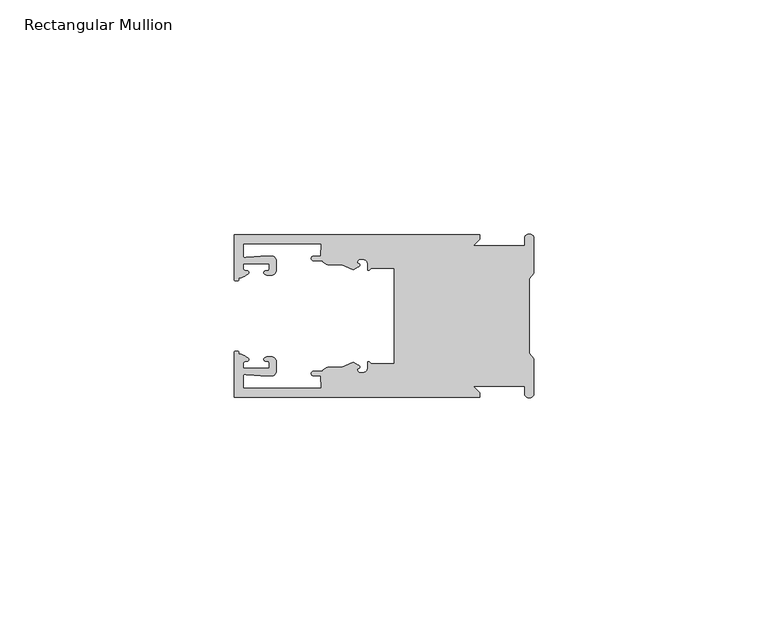
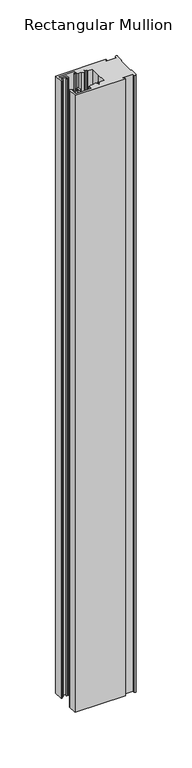
"""IFC4 building model written with IfcOpenShell, lengths in millimetres: member geometry, Rectangular Mullion."""

from ifc_helpers import new_model, si_unit, frame, origin, place, context, project, spatial, polyline, circle_curve, source, transform, mapped, element, save
from ifc_brep_helpers import plane_surface, cylinder_surface, revolved_surface, extruded_surface, spline_curve, advanced_brep


def rectangular_mullion_389f2fa8(model_context):
    return source(origin(), model_context, "Body", "AdvancedBrep", [
        advanced_brep(
        [(-11.5387897, 17.4000478, 0.0), (-64.0387868, 17.4000478, 0.0), (-64.0387868, 7.8350057, 0.0), (-63.2884687, 7.5412947, 0.0), (-62.4614154, 8.1921895, 0.0), (-62.0410649, 9.9426451, 0.0), (-62.0424168, 11.1926444, 0.0), (-56.54242, 11.1985924, 0.0), (-56.5410682, 9.9485931, 0.0), (-57.1085345, 8.7314723, 0.0), (-56.0397166, 8.6991345, 0.0), (-55.0407987, 9.7002154, 0.0), (-55.0430697, 11.8002142, 0.0), (-56.0446364, 12.7991315, 0.0), (-58.3650753, 12.7954945, 0.0), (-61.1340054, 12.5502269, 0.0), (-62.044093, 12.7426435, 0.0), (-62.0469668, 15.4000478, 0.0), (-45.4240312, 15.4000478, 0.0), (-45.5732135, 12.8000478, 0.0), (-47.0387868, 12.8000478, 0.0), (-47.0387868, 11.8000478, 0.0), (-45.2543363, 11.8000478, 0.0), (-43.6387868, 10.9000478, 0.0), (-41.0454034, 10.9000478, 0.0), (-38.5697136, 9.8718293, 0.0), (-37.5387868, 10.4670351, 0.0), (-37.6803436, 11.4201497, 0.0), (-37.0270763, 12.1583697, 0.0), (-36.2010815, 12.0127245, 0.0), (-35.54, 11.2248783, 0.0), (-35.54, 10.0, 0.0), (-34.7705791, 10.25, 0.0), (-29.79, 10.25, 0.0), (-29.79, 0.0, 0.0), (-29.79, -10.25, 0.0), (-34.7705791, -10.25, 0.0), (-35.54, -10.0, 0.0), (-35.54, -11.2248783, 0.0), (-36.2010815, -12.0127245, 0.0), (-37.0270763, -12.1583697, 0.0), (-37.6803436, -11.4201497, 0.0), (-37.5387868, -10.4670351, 0.0), (-38.5697136, -9.8718293, 0.0), (-41.0454034, -10.9000478, 0.0), (-43.6387868, -10.9000478, 0.0), (-45.2543363, -11.8000478, 0.0), (-47.0387868, -11.8000478, 0.0), (-47.0387868, -12.8000478, 0.0), (-45.5732135, -12.8000478, 0.0), (-45.4240312, -15.4000478, 0.0), (-62.0469668, -15.4000478, 0.0), (-62.044093, -12.7426435, 0.0), (-61.1340054, -12.5502269, 0.0), (-58.3650753, -12.7954945, 0.0), (-56.0446364, -12.7991314, 0.0), (-55.0430697, -11.8002142, 0.0), (-55.0407987, -9.7002154, 0.0), (-56.0397166, -8.6991345, 0.0), (-57.1085345, -8.7314723, 0.0), (-56.5410682, -9.9485931, 0.0), (-56.54242, -11.1985924, 0.0), (-62.0424168, -11.1926444, 0.0), (-62.0410649, -9.9426451, 0.0), (-62.4614154, -8.1921895, 0.0), (-63.2884687, -7.5412947, 0.0), (-64.0387868, -7.8350057, 0.0), (-64.0387868, -17.4000478, 0.0), (-11.5387897, -17.4000478, 0.0), (-11.5387897, -16.4000449, 0.0), (-12.9388346, -15.0, 0.0), (-2.0, -15.0, 0.0), (-2.0, -16.5, 0.0), (0.0, -16.5, 0.0), (0.0, -9.1160254, 0.0), (-1.0, -7.9613249, 0.0), (-1.0, 0.0, 0.0), (-1.0, 7.9613249, 0.0), (0.0, 9.1160254, 0.0), (0.0, 16.5, 0.0), (-2.0, 16.5, 0.0), (-2.0, 15.0, 0.0), (-12.9388346, 15.0, 0.0), (-11.5387897, 16.4000449, 0.0), (-11.5387897, 17.4000478, -677.0), (-11.5387897, 16.4000449, -677.0), (-12.9388346, 15.0, -677.0), (-2.0, 15.0, -677.0), (-2.0, 16.5, -677.0), (0.0, 16.5, -677.0), (0.0, 9.1160254, -677.0), (-1.0, 7.9613249, -677.0), (-1.0, 0.0, -677.0), (-1.0, -7.9613249, -677.0), (0.0, -9.1160254, -677.0), (0.0, -16.5, -677.0), (-2.0, -16.5, -677.0), (-2.0, -15.0, -677.0), (-12.9388346, -15.0, -677.0), (-11.5387897, -16.4000449, -677.0), (-11.5387897, -17.4000478, -677.0), (-64.0387868, -17.4000478, -677.0), (-64.0387868, -7.8350057, -677.0), (-63.2884687, -7.5412947, -677.0), (-62.4614154, -8.1921895, -677.0), (-62.0410649, -9.9426451, -677.0), (-62.0424168, -11.1926444, -677.0), (-56.54242, -11.1985924, -677.0), (-56.5410682, -9.9485931, -677.0), (-57.1085345, -8.7314723, -677.0), (-56.0397166, -8.6991345, -677.0), (-55.0407987, -9.7002154, -677.0), (-55.0430697, -11.8002142, -677.0), (-56.0446364, -12.7991315, -677.0), (-58.3650753, -12.7954945, -677.0), (-61.1340054, -12.5502269, -677.0), (-62.044093, -12.7426435, -677.0), (-62.0469668, -15.4000478, -677.0), (-45.4240312, -15.4000478, -677.0), (-45.5732135, -12.8000478, -677.0), (-47.0387868, -12.8000478, -677.0), (-47.0387868, -11.8000478, -677.0), (-45.2543363, -11.8000478, -677.0), (-43.6387868, -10.9000478, -677.0), (-41.0454034, -10.9000478, -677.0), (-38.5697136, -9.8718293, -677.0), (-37.5387868, -10.4670351, -677.0), (-37.6803436, -11.4201497, -677.0), (-37.0270763, -12.1583697, -677.0), (-36.2010815, -12.0127245, -677.0), (-35.54, -11.2248783, -677.0), (-35.54, -10.0, -677.0), (-34.7705791, -10.25, -677.0), (-29.79, -10.25, -677.0), (-29.79, 0.0, -677.0), (-29.79, 10.25, -677.0), (-34.7705791, 10.25, -677.0), (-35.54, 10.0, -677.0), (-35.54, 11.2248783, -677.0), (-36.2010815, 12.0127245, -677.0), (-37.0270763, 12.1583697, -677.0), (-37.6803436, 11.4201497, -677.0), (-37.5387868, 10.4670351, -677.0), (-38.5697136, 9.8718293, -677.0), (-41.0454034, 10.9000478, -677.0), (-43.6387868, 10.9000478, -677.0), (-45.2543363, 11.8000478, -677.0), (-47.0387868, 11.8000478, -677.0), (-47.0387868, 12.8000478, -677.0), (-45.5732135, 12.8000478, -677.0), (-45.4240312, 15.4000478, -677.0), (-62.0469668, 15.4000478, -677.0), (-62.044093, 12.7426435, -677.0), (-61.1340054, 12.5502269, -677.0), (-58.3650753, 12.7954945, -677.0), (-56.0446364, 12.7991314, -677.0), (-55.0430697, 11.8002142, -677.0), (-55.0407987, 9.7002154, -677.0), (-56.0397166, 8.6991345, -677.0), (-57.1085345, 8.7314723, -677.0), (-56.5410682, 9.9485931, -677.0), (-56.54242, 11.1985924, -677.0), (-62.0424168, 11.1926444, -677.0), (-62.0410649, 9.9426451, -677.0), (-62.4614154, 8.1921895, -677.0), (-63.2884687, 7.5412947, -677.0), (-64.0387868, 7.8350057, -677.0), (-64.0387868, 17.4000478, -677.0)],
        [
            (0, 1),
            (1, 2),
            (2, 3, spline_curve(3, [(-64.0387868, 7.8350057, 0.0), (-64.038491377, 7.561831774, 0.0), (-63.788385325, 7.463928087, 0.0), (-63.2884687, 7.5412947, 0.0)], [4, 4], [0.0, 0.0019169337574178654])),
            (3, 4, spline_curve(3, [(-63.2884687, 7.5412947, 0.0), (-63.057760917, 7.582232011, 0.0), (-63.018445067, 7.725390894, 0.0), (-63.019925494, 8.056436881, 0.0), (-63.103444208, 8.236386866, 0.0), (-62.4614154, 8.1921895, 0.0)], [4, 2, 4], [0.0, 0.0010199524164107188, 0.0024874514725970356])),
            (4, 5, spline_curve(3, [(-62.4614154, 8.1921895, 0.0), (-60.988497673, 8.880962536, 0.0), (-60.794045122, 9.192776957, 0.0), (-60.949808078, 9.57023562, 0.0), (-61.145214014, 9.682771697, 0.0), (-61.665835706, 9.714019003, 0.0), (-61.965242574, 9.660891484, 0.0), (-62.0410649, 9.9426451, 0.0)], [4, 2, 2, 4], [0.0, 0.003269869179570428, 0.005490050486237203, 0.0073545767114364426])),
            (5, 6),
            (6, 7),
            (7, 8),
            (8, 9, spline_curve(3, [(-56.5410682, 9.9485931, 0.0), (-56.634838635, 9.597117104, 0.0), (-56.904956774, 9.698238818, 0.0), (-57.324171444, 9.731086209, 0.0), (-57.45969165, 9.646199885, 0.0), (-57.729003352, 9.346016011, 0.0), (-57.859492582, 9.113082158, 0.0), (-57.1085345, 8.7314723, 0.0)], [4, 2, 2, 4], [0.0, 0.001593963049934732, 0.0033360256320283306, 0.005339140673503943])),
            (9, 10),
            (10, 11, circle_curve(frame((-56.0407981, 9.699134, 0.0), z_axis=(0.0, 0.0, 1.0), x_axis=(0.0010814451158627505, -0.9999994152380598, 0.0)), 1.0)),
            (11, 12),
            (12, 13, circle_curve(frame((-56.0430691, 11.7991327, 0.0), z_axis=(0.0, 0.0, 1.0), x_axis=(0.0010814451158627505, -0.9999994152380598, 0.0)), 1.0)),
            (13, 14),
            (14, 15),
            (15, 16, spline_curve(3, [(-61.1340054, 12.5502269, 0.0), (-61.605485428, 12.508463911, 0.0), (-61.992111419, 12.303164326, 0.0), (-62.044093, 12.7426435, 0.0)], [4, 4], [0.0, 0.0014803385355886016])),
            (16, 17),
            (17, 18),
            (18, 19),
            (19, 20),
            (20, 21, circle_curve(frame((-47.0387868, 12.3000478, 0.0), z_axis=(0.0, 0.0, 1.0), x_axis=(0.0, -1.0, 0.0)), 0.5)),
            (21, 22),
            (22, 23, circle_curve(frame((-43.6387868, 12.8000478, 0.0), z_axis=(0.0, 0.0, 1.0), x_axis=(0.0, -1.0, 0.0)), 1.9)),
            (23, 24),
            (24, 25),
            (25, 26),
            (26, 27, spline_curve(3, [(-37.5387868, 10.4670351, 0.0), (-36.973919853, 10.833863985, 0.0), (-37.198159645, 11.135696286, 0.0), (-37.587892011, 11.260246073, 0.0), (-37.754584192, 11.180452419, 0.0), (-37.6803436, 11.4201497, 0.0)], [4, 2, 4], [0.0, 0.0019283703160353726, 0.003394584635652914])),
            (27, 28, circle_curve(frame((-37.0434863, 11.5147359, 0.0), z_axis=(0.0, 0.0, -1.0), x_axis=(0.0, -1.0, 0.0)), 0.643843)),
            (28, 29),
            (29, 30, circle_curve(frame((-36.34, 11.2248783, 0.0), z_axis=(0.0, 0.0, -1.0), x_axis=(0.0, -1.0, 0.0)), 0.8)),
            (30, 31),
            (31, 32, spline_curve(3, [(-35.54, 10.0, 0.0), (-35.440000238, 9.598293201, 0.0), (-35.183526594, 9.681626535, 0.0), (-34.7705791, 10.25, 0.0)], [4, 4], [0.0, 0.0027473296990141553])),
            (32, 33),
            (33, 34),
            (34, 35),
            (35, 36),
            (36, 37, spline_curve(3, [(-34.7705791, -10.25, 0.0), (-35.183526594, -9.681626535, 0.0), (-35.440000238, -9.598293201, 0.0), (-35.54, -10.0, 0.0)], [4, 4], [0.0, 0.0027473296990141553])),
            (37, 38),
            (38, 39, circle_curve(frame((-36.34, -11.2248783, 0.0), z_axis=(0.0, 0.0, -1.0), x_axis=(0.0, 1.0, 0.0)), 0.8)),
            (39, 40),
            (40, 41, circle_curve(frame((-37.0434863, -11.5147359, 0.0), z_axis=(0.0, 0.0, -1.0), x_axis=(0.0, 1.0, 0.0)), 0.643843)),
            (41, 42, spline_curve(3, [(-37.6803436, -11.4201497, 0.0), (-37.754584192, -11.180452419, 0.0), (-37.587892011, -11.260246073, 0.0), (-37.198159645, -11.135696286, 0.0), (-36.973919853, -10.833863985, 0.0), (-37.5387868, -10.4670351, 0.0)], [4, 2, 4], [0.0, 0.0014662143196175414, 0.003394584635652914])),
            (42, 43),
            (43, 44),
            (44, 45),
            (45, 46, circle_curve(frame((-43.6387868, -12.8000478, 0.0), z_axis=(0.0, 0.0, 1.0), x_axis=(0.0, 1.0, 0.0)), 1.9)),
            (46, 47),
            (47, 48, circle_curve(frame((-47.0387868, -12.3000478, 0.0), z_axis=(0.0, 0.0, 1.0), x_axis=(0.0, 1.0, 0.0)), 0.5)),
            (48, 49),
            (49, 50),
            (50, 51),
            (51, 52),
            (52, 53, spline_curve(3, [(-62.044093, -12.7426435, 0.0), (-61.992111419, -12.303164326, 0.0), (-61.605485428, -12.508463911, 0.0), (-61.1340054, -12.5502269, 0.0)], [4, 4], [0.0, 0.0014803385355886016])),
            (53, 54),
            (54, 55),
            (55, 56, circle_curve(frame((-56.0430691, -11.7991327, 0.0), z_axis=(0.0, 0.0, 1.0), x_axis=(0.001081445115855867, 0.9999994152380598, 0.0)), 1.0)),
            (56, 57),
            (57, 58, circle_curve(frame((-56.0407981, -9.699134, 0.0), z_axis=(0.0, 0.0, 1.0), x_axis=(0.001081445115855867, 0.9999994152380598, 0.0)), 1.0)),
            (58, 59),
            (59, 60, spline_curve(3, [(-57.1085345, -8.7314723, 0.0), (-57.859492582, -9.113082158, 0.0), (-57.729003352, -9.346016011, 0.0), (-57.45969165, -9.646199885, 0.0), (-57.324171444, -9.731086209, 0.0), (-56.904956774, -9.698238818, 0.0), (-56.634838635, -9.597117104, 0.0), (-56.5410682, -9.9485931, 0.0)], [4, 2, 2, 4], [0.0, 0.002003115041475612, 0.0037451776235692107, 0.005339140673503943])),
            (60, 61),
            (61, 62),
            (62, 63),
            (63, 64, spline_curve(3, [(-62.0410649, -9.9426451, 0.0), (-61.965242574, -9.660891484, 0.0), (-61.665835706, -9.714019003, 0.0), (-61.145214014, -9.682771697, 0.0), (-60.949808078, -9.57023562, 0.0), (-60.794045122, -9.192776957, 0.0), (-60.988497673, -8.880962536, 0.0), (-62.4614154, -8.1921895, 0.0)], [4, 2, 2, 4], [0.0, 0.0018645262251992395, 0.004084707531866015, 0.0073545767114364426])),
            (64, 65, spline_curve(3, [(-62.4614154, -8.1921895, 0.0), (-63.103444208, -8.236386866, 0.0), (-63.019925494, -8.056436881, 0.0), (-63.018445067, -7.725390894, 0.0), (-63.057760917, -7.582232011, 0.0), (-63.2884687, -7.5412947, 0.0)], [4, 2, 4], [0.0, 0.0014674990561863168, 0.0024874514725970356])),
            (65, 66, spline_curve(3, [(-63.2884687, -7.5412947, 0.0), (-63.788385325, -7.463928087, 0.0), (-64.038491377, -7.561831774, 0.0), (-64.0387868, -7.8350057, 0.0)], [4, 4], [0.0, 0.0019169337574178654])),
            (66, 67),
            (67, 68),
            (68, 69),
            (69, 70),
            (70, 71),
            (71, 72),
            (72, 73, circle_curve(frame((-1.0, -16.5, 0.0), z_axis=(0.0, 0.0, 1.0), x_axis=(0.0, 1.0, 0.0)), 1.0)),
            (73, 74),
            (74, 75),
            (75, 76),
            (76, 77),
            (77, 78),
            (78, 79),
            (79, 80, circle_curve(frame((-1.0, 16.5, 0.0), z_axis=(0.0, 0.0, 1.0), x_axis=(0.0, -1.0, 0.0)), 1.0)),
            (80, 81),
            (81, 82),
            (82, 83),
            (83, 0),
            (84, 85),
            (85, 86),
            (86, 87),
            (87, 88),
            (88, 89, circle_curve(frame((-1.0, 16.5, -677.0), z_axis=(0.0, 0.0, -1.0), x_axis=(0.0, -1.0, 0.0)), 1.0)),
            (89, 90),
            (90, 91),
            (91, 92),
            (92, 93),
            (93, 94),
            (94, 95),
            (95, 96, circle_curve(frame((-1.0, -16.5, -677.0), z_axis=(0.0, 0.0, -1.0), x_axis=(0.0, 1.0, 0.0)), 1.0)),
            (96, 97),
            (97, 98),
            (98, 99),
            (99, 100),
            (100, 101),
            (101, 102),
            (102, 103, spline_curve(3, [(-64.0387868, -7.8350057, -677.0), (-64.038491377, -7.561831774, -677.0), (-63.788385325, -7.463928087, -677.0), (-63.2884687, -7.5412947, -677.0)], [4, 4], [0.0, 0.0019169337574178654])),
            (103, 104, spline_curve(3, [(-63.2884687, -7.5412947, -677.0), (-63.057760917, -7.582232011, -677.0), (-63.018445067, -7.725390894, -677.0), (-63.019925494, -8.056436881, -677.0), (-63.103444208, -8.236386866, -677.0), (-62.4614154, -8.1921895, -677.0)], [4, 2, 4], [0.0, 0.0010199524164107188, 0.0024874514725970356])),
            (104, 105, spline_curve(3, [(-62.4614154, -8.1921895, -677.0), (-60.988497673, -8.880962536, -677.0), (-60.794045122, -9.192776957, -677.0), (-60.949808078, -9.57023562, -677.0), (-61.145214014, -9.682771697, -677.0), (-61.665835706, -9.714019003, -677.0), (-61.965242574, -9.660891484, -677.0), (-62.0410649, -9.9426451, -677.0)], [4, 2, 2, 4], [0.0, 0.003269869179570428, 0.005490050486237203, 0.0073545767114364426])),
            (105, 106),
            (106, 107),
            (107, 108),
            (108, 109, spline_curve(3, [(-56.5410682, -9.9485931, -677.0), (-56.634838635, -9.597117104, -677.0), (-56.904956774, -9.698238818, -677.0), (-57.324171444, -9.731086209, -677.0), (-57.45969165, -9.646199885, -677.0), (-57.729003352, -9.346016011, -677.0), (-57.859492582, -9.113082158, -677.0), (-57.1085345, -8.7314723, -677.0)], [4, 2, 2, 4], [0.0, 0.001593963049934732, 0.0033360256320283306, 0.005339140673503943])),
            (109, 110),
            (110, 111, circle_curve(frame((-56.0407981, -9.699134, -677.0), z_axis=(0.0, 0.0, -1.0), x_axis=(0.001081445115855867, 0.9999994152380598, 0.0)), 1.0)),
            (111, 112),
            (112, 113, circle_curve(frame((-56.0430691, -11.7991327, -677.0), z_axis=(0.0, 0.0, -1.0), x_axis=(0.001081445115855867, 0.9999994152380598, 0.0)), 1.0)),
            (113, 114),
            (114, 115),
            (115, 116, spline_curve(3, [(-61.1340054, -12.5502269, -677.0), (-61.605485428, -12.508463911, -677.0), (-61.992111419, -12.303164326, -677.0), (-62.044093, -12.7426435, -677.0)], [4, 4], [0.0, 0.0014803385355886016])),
            (116, 117),
            (117, 118),
            (118, 119),
            (119, 120),
            (120, 121, circle_curve(frame((-47.0387868, -12.3000478, -677.0), z_axis=(0.0, 0.0, -1.0), x_axis=(0.0, 1.0, 0.0)), 0.5)),
            (121, 122),
            (122, 123, circle_curve(frame((-43.6387868, -12.8000478, -677.0), z_axis=(0.0, 0.0, -1.0), x_axis=(0.0, 1.0, 0.0)), 1.9)),
            (123, 124),
            (124, 125),
            (125, 126),
            (126, 127, spline_curve(3, [(-37.5387868, -10.4670351, -677.0), (-36.973919853, -10.833863985, -677.0), (-37.198159645, -11.135696286, -677.0), (-37.587892011, -11.260246073, -677.0), (-37.754584192, -11.180452419, -677.0), (-37.6803436, -11.4201497, -677.0)], [4, 2, 4], [0.0, 0.0019283703160353726, 0.003394584635652914])),
            (127, 128, circle_curve(frame((-37.0434863, -11.5147359, -677.0), z_axis=(0.0, 0.0, 1.0), x_axis=(0.0, 1.0, 0.0)), 0.643843)),
            (128, 129),
            (129, 130, circle_curve(frame((-36.34, -11.2248783, -677.0), z_axis=(0.0, 0.0, 1.0), x_axis=(0.0, 1.0, 0.0)), 0.8)),
            (130, 131),
            (131, 132, spline_curve(3, [(-35.54, -10.0, -677.0), (-35.440000238, -9.598293201, -677.0), (-35.183526594, -9.681626535, -677.0), (-34.7705791, -10.25, -677.0)], [4, 4], [0.0, 0.0027473296990141553])),
            (132, 133),
            (133, 134),
            (134, 135),
            (135, 136),
            (136, 137, spline_curve(3, [(-34.7705791, 10.25, -677.0), (-35.183526594, 9.681626535, -677.0), (-35.440000238, 9.598293201, -677.0), (-35.54, 10.0, -677.0)], [4, 4], [0.0, 0.0027473296990141553])),
            (137, 138),
            (138, 139, circle_curve(frame((-36.34, 11.2248783, -677.0), z_axis=(0.0, 0.0, 1.0), x_axis=(0.0, -1.0, 0.0)), 0.8)),
            (139, 140),
            (140, 141, circle_curve(frame((-37.0434863, 11.5147359, -677.0), z_axis=(0.0, 0.0, 1.0), x_axis=(0.0, -1.0, 0.0)), 0.643843)),
            (141, 142, spline_curve(3, [(-37.6803436, 11.4201497, -677.0), (-37.754584192, 11.180452419, -677.0), (-37.587892011, 11.260246073, -677.0), (-37.198159645, 11.135696286, -677.0), (-36.973919853, 10.833863985, -677.0), (-37.5387868, 10.4670351, -677.0)], [4, 2, 4], [0.0, 0.0014662143196175414, 0.003394584635652914])),
            (142, 143),
            (143, 144),
            (144, 145),
            (145, 146, circle_curve(frame((-43.6387868, 12.8000478, -677.0), z_axis=(0.0, 0.0, -1.0), x_axis=(0.0, -1.0, 0.0)), 1.9)),
            (146, 147),
            (147, 148, circle_curve(frame((-47.0387868, 12.3000478, -677.0), z_axis=(0.0, 0.0, -1.0), x_axis=(0.0, -1.0, 0.0)), 0.5)),
            (148, 149),
            (149, 150),
            (150, 151),
            (151, 152),
            (152, 153, spline_curve(3, [(-62.044093, 12.7426435, -677.0), (-61.992111419, 12.303164326, -677.0), (-61.605485428, 12.508463911, -677.0), (-61.1340054, 12.5502269, -677.0)], [4, 4], [0.0, 0.0014803385355886016])),
            (153, 154),
            (154, 155),
            (155, 156, circle_curve(frame((-56.0430691, 11.7991327, -677.0), z_axis=(0.0, 0.0, -1.0), x_axis=(0.0010814451158627505, -0.9999994152380598, 0.0)), 1.0)),
            (156, 157),
            (157, 158, circle_curve(frame((-56.0407981, 9.699134, -677.0), z_axis=(0.0, 0.0, -1.0), x_axis=(0.0010814451158627505, -0.9999994152380598, 0.0)), 1.0)),
            (158, 159),
            (159, 160, spline_curve(3, [(-57.1085345, 8.7314723, -677.0), (-57.859492582, 9.113082158, -677.0), (-57.729003352, 9.346016011, -677.0), (-57.45969165, 9.646199885, -677.0), (-57.324171444, 9.731086209, -677.0), (-56.904956774, 9.698238818, -677.0), (-56.634838635, 9.597117104, -677.0), (-56.5410682, 9.9485931, -677.0)], [4, 2, 2, 4], [0.0, 0.002003115041475612, 0.0037451776235692107, 0.005339140673503943])),
            (160, 161),
            (161, 162),
            (162, 163),
            (163, 164, spline_curve(3, [(-62.0410649, 9.9426451, -677.0), (-61.965242574, 9.660891484, -677.0), (-61.665835706, 9.714019003, -677.0), (-61.145214014, 9.682771697, -677.0), (-60.949808078, 9.57023562, -677.0), (-60.794045122, 9.192776957, -677.0), (-60.988497673, 8.880962536, -677.0), (-62.4614154, 8.1921895, -677.0)], [4, 2, 2, 4], [0.0, 0.0018645262251992395, 0.004084707531866015, 0.0073545767114364426])),
            (164, 165, spline_curve(3, [(-62.4614154, 8.1921895, -677.0), (-63.103444208, 8.236386866, -677.0), (-63.019925494, 8.056436881, -677.0), (-63.018445067, 7.725390894, -677.0), (-63.057760917, 7.582232011, -677.0), (-63.2884687, 7.5412947, -677.0)], [4, 2, 4], [0.0, 0.0014674990561863168, 0.0024874514725970356])),
            (165, 166, spline_curve(3, [(-63.2884687, 7.5412947, -677.0), (-63.788385325, 7.463928087, -677.0), (-64.038491377, 7.561831774, -677.0), (-64.0387868, 7.8350057, -677.0)], [4, 4], [0.0, 0.0019169337574178654])),
            (166, 167),
            (167, 84),
            (0, 84),
            (167, 1),
            (166, 2),
            (165, 3),
            (164, 4),
            (163, 5),
            (162, 6),
            (161, 7),
            (160, 8),
            (159, 9),
            (158, 10),
            (157, 11),
            (156, 12),
            (155, 13),
            (154, 14),
            (153, 15),
            (152, 16),
            (151, 17),
            (150, 18),
            (149, 19),
            (148, 20),
            (147, 21),
            (146, 22),
            (145, 23),
            (144, 24),
            (143, 25),
            (142, 26),
            (141, 27),
            (140, 28),
            (139, 29),
            (138, 30),
            (137, 31),
            (136, 32),
            (135, 33),
            (134, 34),
            (133, 35),
            (132, 36),
            (131, 37),
            (130, 38),
            (129, 39),
            (128, 40),
            (127, 41),
            (126, 42),
            (125, 43),
            (124, 44),
            (123, 45),
            (122, 46),
            (121, 47),
            (120, 48),
            (119, 49),
            (118, 50),
            (117, 51),
            (116, 52),
            (115, 53),
            (114, 54),
            (113, 55),
            (112, 56),
            (111, 57),
            (110, 58),
            (109, 59),
            (108, 60),
            (107, 61),
            (106, 62),
            (105, 63),
            (104, 64),
            (103, 65),
            (102, 66),
            (101, 67),
            (100, 68),
            (99, 69),
            (98, 70),
            (97, 71),
            (96, 72),
            (95, 73),
            (94, 74),
            (93, 75),
            (92, 76),
            (91, 77),
            (90, 78),
            (89, 79),
            (88, 80),
            (87, 81),
            (86, 82),
            (85, 83),
        ],
        [
            plane_surface(frame((0.0, -66.3605898, 0.0), z_axis=(0.0, 0.0, 1.0), x_axis=(-1.0, 0.0, 0.0))),
            plane_surface(frame((0.0, -66.3605898, -677.0), z_axis=(0.0, 0.0, -1.0), x_axis=(-1.0, 0.0, 0.0))),
            plane_surface(frame((-11.5387897, 17.4000478, 0.0), z_axis=(0.0, 1.0, 0.0), x_axis=(0.0, 0.0, -1.0))),
            plane_surface(frame((-64.0387868, 17.4000478, 0.0), z_axis=(-1.0, 0.0, 0.0), x_axis=(0.0, 0.0, -1.0))),
            extruded_surface(spline_curve(3, [(-64.0387868, 7.8350057, -677.0), (-64.038491377, 7.561831774, -677.0), (-63.788385325, 7.463928087, -677.0), (-63.2884687, 7.5412947, -677.0)], [4, 4], [0.0, 0.0019169337574178654]), (0.0, 0.0, 677.0), 677.0),
            extruded_surface(spline_curve(3, [(-63.2884687, 7.5412947, -677.0), (-63.057760917, 7.582232011, -677.0), (-63.018445067, 7.725390894, -677.0), (-63.019925494, 8.056436881, -677.0), (-63.103444208, 8.236386866, -677.0), (-62.4614154, 8.1921895, -677.0)], [4, 2, 4], [0.0, 0.0010199524164107188, 0.0024874514725970356]), (0.0, 0.0, 677.0), 677.0),
            extruded_surface(spline_curve(3, [(-62.4614154, 8.1921895, -677.0), (-60.988497673, 8.880962536, -677.0), (-60.794045122, 9.192776957, -677.0), (-60.949808078, 9.57023562, -677.0), (-61.145214014, 9.682771697, -677.0), (-61.665835706, 9.714019003, -677.0), (-61.965242574, 9.660891484, -677.0), (-62.0410649, 9.9426451, -677.0)], [4, 2, 2, 4], [0.0, 0.003269869179570428, 0.005490050486237203, 0.0073545767114364426]), (0.0, 0.0, 677.0), 677.0),
            plane_surface(frame((-62.0410649, 9.9426451, 0.0), z_axis=(0.9999994152380598, 0.0010814451158593665, 0.0), x_axis=(0.0, 0.0, -1.0))),
            plane_surface(frame((-62.0424168, 11.1926444, 0.0), z_axis=(0.0010814451158611391, -0.9999994152380598, 0.0), x_axis=(0.0, 0.0, -1.0))),
            plane_surface(frame((-56.54242, 11.1985924, 0.0), z_axis=(-0.9999994152380598, -0.0010814451158584516, 0.0), x_axis=(0.0, 0.0, -1.0))),
            extruded_surface(spline_curve(3, [(-56.5410682, 9.9485931, -677.0), (-56.634838635, 9.597117104, -677.0), (-56.904956774, 9.698238818, -677.0), (-57.324171444, 9.731086209, -677.0), (-57.45969165, 9.646199885, -677.0), (-57.729003352, 9.346016011, -677.0), (-57.859492582, 9.113082158, -677.0), (-57.1085345, 8.7314723, -677.0)], [4, 2, 2, 4], [0.0, 0.001593963049934732, 0.0033360256320283306, 0.005339140673503943]), (0.0, 0.0, 677.0), 677.0),
            plane_surface(frame((-57.1085345, 8.7314723, 0.0), z_axis=(-0.030241832452869922, -0.9995426111826813, 0.0), x_axis=(0.0, 0.0, -1.0))),
            cylinder_surface(frame((-56.0407981, 9.699134, 0.0), z_axis=(0.0, 0.0, 1.0000000000000002), x_axis=(0.0010814451158627505, -0.9999994152380598, 0.0)), 1.0),
            plane_surface(frame((-55.0407987, 9.7002154, 0.0), z_axis=(0.9999994152380598, 0.001081445115858722, 0.0), x_axis=(0.0, 0.0, -1.0))),
            cylinder_surface(frame((-56.0430691, 11.7991327, 0.0), z_axis=(0.0, 0.0, 1.0000000000000002), x_axis=(0.0010814451158627505, -0.9999994152380598, 0.0)), 1.0),
            plane_surface(frame((-56.0446364, 12.7991314, 0.0), z_axis=(-0.0015673183327907744, 0.9999987717558677, 0.0), x_axis=(0.0, 0.0, -1.0))),
            plane_surface(frame((-58.3650753, 12.7954945, 0.0), z_axis=(-0.08823302167299531, 0.9960998614026874, 0.0), x_axis=(0.0, 0.0, -1.0))),
            extruded_surface(spline_curve(3, [(-61.1340054, 12.5502269, -677.0), (-61.605485428, 12.508463911, -677.0), (-61.992111419, 12.303164326, -677.0), (-62.044093, 12.7426435, -677.0)], [4, 4], [0.0, 0.0014803385355886016]), (0.0, 0.0, 677.0), 677.0),
            plane_surface(frame((-62.044093, 12.7426435, 0.0), z_axis=(0.9999994152380598, 0.0010814451158597813, 0.0), x_axis=(0.0, 0.0, -1.0))),
            plane_surface(frame((-62.0469668, 15.4000478, 0.0), z_axis=(0.0, -1.0, 0.0), x_axis=(0.0, 0.0, -1.0))),
            plane_surface(frame((-45.4240312, 15.4000478, 0.0), z_axis=(-0.9983579461523547, 0.05728360458675776, 0.0), x_axis=(0.0, 0.0, -1.0))),
            plane_surface(frame((-45.5732135, 12.8000478, 0.0), z_axis=(0.0, 1.0, 0.0), x_axis=(0.0, 0.0, -1.0))),
            cylinder_surface(frame((-47.0387868, 12.3000478, 0.0), z_axis=(0.0, 0.0, 1.0), x_axis=(0.0, -1.0, 0.0)), 0.5),
            plane_surface(frame((-47.0387868, 11.8000478, 0.0), z_axis=(0.0, -1.0, 0.0), x_axis=(0.0, 0.0, -1.0))),
            cylinder_surface(frame((-43.6387868, 12.8000478, 0.0), z_axis=(0.0, 0.0, 1.0), x_axis=(0.0, -1.0, 0.0)), 1.9),
            plane_surface(frame((-43.6387868, 10.9000478, 0.0), z_axis=(0.0, -1.0, 0.0), x_axis=(0.0, 0.0, -1.0))),
            plane_surface(frame((-41.0454034, 10.9000478, 0.0), z_axis=(-0.3835602140750569, -0.9235158700199453, 0.0), x_axis=(0.0, 0.0, -1.0))),
            plane_surface(frame((-38.5697136, 9.8718293, 0.0), z_axis=(0.5000000000252295, -0.8660254037698725, 0.0), x_axis=(0.0, 0.0, -1.0))),
            extruded_surface(spline_curve(3, [(-37.5387868, 10.4670351, -677.0), (-36.973919853, 10.833863985, -677.0), (-37.198159645, 11.135696286, -677.0), (-37.587892011, 11.260246073, -677.0), (-37.754584192, 11.180452419, -677.0), (-37.6803436, 11.4201497, -677.0)], [4, 2, 4], [0.0, 0.0019283703160353726, 0.003394584635652914]), (0.0, 0.0, 677.0), 677.0),
            revolved_surface(polyline([(-37.0434863, 10.8708929, -677.0), (-37.0434863, 10.8708929, 0.0)]), (-37.0434863, 11.5147359, 0.0), (0.0, 0.0, -1.0)),
            plane_surface(frame((-37.0270763, 12.1583697, 0.0), z_axis=(-0.17364817767050408, -0.984807753011578, 0.0), x_axis=(0.0, 0.0, -1.0))),
            revolved_surface(polyline([(-36.34, 10.4248783, -677.0), (-36.34, 10.4248783, 0.0)]), (-36.34, 11.2248783, 0.0), (0.0, 0.0, -1.0)),
            plane_surface(frame((-35.54, 11.2248783, 0.0), z_axis=(-1.0, 0.0, 0.0), x_axis=(0.0, 0.0, -1.0))),
            extruded_surface(spline_curve(3, [(-35.54, 10.0, -677.0), (-35.440000238, 9.598293201, -677.0), (-35.183526594, 9.681626535, -677.0), (-34.7705791, 10.25, -677.0)], [4, 4], [0.0, 0.0027473296990141553]), (0.0, 0.0, 677.0), 677.0),
            plane_surface(frame((-34.7705791, 10.25, 0.0), z_axis=(0.0, -1.0, 0.0), x_axis=(0.0, 0.0, -1.0))),
            plane_surface(frame((-29.79, 10.25, 0.0), z_axis=(-1.0, 0.0, 0.0), x_axis=(0.0, 0.0, -1.0))),
            plane_surface(frame((-29.79, 0.0, 0.0), z_axis=(-1.0, 0.0, 0.0), x_axis=(0.0, 0.0, -1.0))),
            plane_surface(frame((-29.79, -10.25, 0.0), z_axis=(0.0, 1.0, 0.0), x_axis=(0.0, 0.0, -1.0))),
            extruded_surface(spline_curve(3, [(-34.7705791, -10.25, -677.0), (-35.183526594, -9.681626535, -677.0), (-35.440000238, -9.598293201, -677.0), (-35.54, -10.0, -677.0)], [4, 4], [0.0, 0.0027473296990141553]), (0.0, 0.0, 677.0), 677.0),
            plane_surface(frame((-35.54, -10.0, 0.0), z_axis=(-1.0, 0.0, 0.0), x_axis=(0.0, 0.0, -1.0))),
            revolved_surface(polyline([(-36.34, -10.4248783, -677.0), (-36.34, -10.4248783, 0.0)]), (-36.34, -11.2248783, 0.0), (0.0, 0.0, -1.0)),
            plane_surface(frame((-36.2010815, -12.0127245, 0.0), z_axis=(-0.17364817767051083, 0.9848077530115767, 0.0), x_axis=(0.0, 0.0, -1.0))),
            revolved_surface(polyline([(-37.0434863, -10.8708929, -677.0), (-37.0434863, -10.8708929, 0.0)]), (-37.0434863, -11.5147359, 0.0), (0.0, 0.0, -1.0)),
            extruded_surface(spline_curve(3, [(-37.6803436, -11.4201497, -677.0), (-37.754584192, -11.180452419, -677.0), (-37.587892011, -11.260246073, -677.0), (-37.198159645, -11.135696286, -677.0), (-36.973919853, -10.833863985, -677.0), (-37.5387868, -10.4670351, -677.0)], [4, 2, 4], [0.0, 0.0014662143196175414, 0.003394584635652914]), (0.0, 0.0, 677.0), 677.0),
            plane_surface(frame((-37.5387868, -10.4670351, 0.0), z_axis=(0.5000000000252234, 0.8660254037698759, 0.0), x_axis=(0.0, 0.0, -1.0))),
            plane_surface(frame((-38.5697136, -9.8718293, 0.0), z_axis=(-0.38356021407506324, 0.9235158700199426, 0.0), x_axis=(0.0, 0.0, -1.0))),
            plane_surface(frame((-41.0454034, -10.9000478, 0.0), z_axis=(0.0, 1.0, 0.0), x_axis=(0.0, 0.0, -1.0))),
            cylinder_surface(frame((-43.6387868, -12.8000478, 0.0), z_axis=(0.0, 0.0, 1.0), x_axis=(0.0, 1.0, 0.0)), 1.9),
            plane_surface(frame((-45.2543363, -11.8000478, 0.0), z_axis=(0.0, 1.0, 0.0), x_axis=(0.0, 0.0, -1.0))),
            cylinder_surface(frame((-47.0387868, -12.3000478, 0.0), z_axis=(0.0, 0.0, 1.0), x_axis=(0.0, 1.0, 0.0)), 0.5),
            plane_surface(frame((-47.0387868, -12.8000478, 0.0), z_axis=(0.0, -1.0, 0.0), x_axis=(0.0, 0.0, -1.0))),
            plane_surface(frame((-45.5732135, -12.8000478, 0.0), z_axis=(-0.9983579461523543, -0.05728360458676463, 0.0), x_axis=(0.0, 0.0, -1.0))),
            plane_surface(frame((-45.4240312, -15.4000478, 0.0), z_axis=(0.0, 1.0, 0.0), x_axis=(0.0, 0.0, -1.0))),
            plane_surface(frame((-62.0469668, -15.4000478, 0.0), z_axis=(0.9999994152380598, -0.001081445115852898, 0.0), x_axis=(0.0, 0.0, -1.0))),
            extruded_surface(spline_curve(3, [(-62.044093, -12.7426435, -677.0), (-61.992111419, -12.303164326, -677.0), (-61.605485428, -12.508463911, -677.0), (-61.1340054, -12.5502269, -677.0)], [4, 4], [0.0, 0.0014803385355886016]), (0.0, 0.0, 677.0), 677.0),
            plane_surface(frame((-61.1340054, -12.5502269, 0.0), z_axis=(-0.08823302167298844, -0.9960998614026879, 0.0), x_axis=(0.0, 0.0, -1.0))),
            plane_surface(frame((-58.3650753, -12.7954945, 0.0), z_axis=(-0.001567318332783891, -0.9999987717558677, 0.0), x_axis=(0.0, 0.0, -1.0))),
            cylinder_surface(frame((-56.0430691, -11.7991327, 0.0), z_axis=(0.0, 0.0, 1.0000000000000002), x_axis=(0.001081445115855867, 0.9999994152380598, 0.0)), 1.0),
            plane_surface(frame((-55.0430697, -11.8002142, 0.0), z_axis=(0.9999994152380598, -0.0010814451158518386, 0.0), x_axis=(0.0, 0.0, -1.0))),
            cylinder_surface(frame((-56.0407981, -9.699134, 0.0), z_axis=(0.0, 0.0, 1.0000000000000002), x_axis=(0.001081445115855867, 0.9999994152380598, 0.0)), 1.0),
            plane_surface(frame((-56.0397166, -8.6991345, 0.0), z_axis=(-0.030241832452876805, 0.9995426111826811, 0.0), x_axis=(0.0, 0.0, -1.0))),
            extruded_surface(spline_curve(3, [(-57.1085345, -8.7314723, -677.0), (-57.859492582, -9.113082158, -677.0), (-57.729003352, -9.346016011, -677.0), (-57.45969165, -9.646199885, -677.0), (-57.324171444, -9.731086209, -677.0), (-56.904956774, -9.698238818, -677.0), (-56.634838635, -9.597117104, -677.0), (-56.5410682, -9.9485931, -677.0)], [4, 2, 2, 4], [0.0, 0.002003115041475612, 0.0037451776235692107, 0.005339140673503943]), (0.0, 0.0, 677.0), 677.0),
            plane_surface(frame((-56.5410682, -9.9485931, 0.0), z_axis=(-0.9999994152380598, 0.0010814451158515682, 0.0), x_axis=(0.0, 0.0, -1.0))),
            plane_surface(frame((-56.54242, -11.1985924, 0.0), z_axis=(0.0010814451158542558, 0.9999994152380598, 0.0), x_axis=(0.0, 0.0, -1.0))),
            plane_surface(frame((-62.0424168, -11.1926444, 0.0), z_axis=(0.9999994152380598, -0.001081445115852483, 0.0), x_axis=(0.0, 0.0, -1.0))),
            extruded_surface(spline_curve(3, [(-62.0410649, -9.9426451, -677.0), (-61.965242574, -9.660891484, -677.0), (-61.665835706, -9.714019003, -677.0), (-61.145214014, -9.682771697, -677.0), (-60.949808078, -9.57023562, -677.0), (-60.794045122, -9.192776957, -677.0), (-60.988497673, -8.880962536, -677.0), (-62.4614154, -8.1921895, -677.0)], [4, 2, 2, 4], [0.0, 0.0018645262251992395, 0.004084707531866015, 0.0073545767114364426]), (0.0, 0.0, 677.0), 677.0),
            extruded_surface(spline_curve(3, [(-62.4614154, -8.1921895, -677.0), (-63.103444208, -8.236386866, -677.0), (-63.019925494, -8.056436881, -677.0), (-63.018445067, -7.725390894, -677.0), (-63.057760917, -7.582232011, -677.0), (-63.2884687, -7.5412947, -677.0)], [4, 2, 4], [0.0, 0.0014674990561863168, 0.0024874514725970356]), (0.0, 0.0, 677.0), 677.0),
            extruded_surface(spline_curve(3, [(-63.2884687, -7.5412947, -677.0), (-63.788385325, -7.463928087, -677.0), (-64.038491377, -7.561831774, -677.0), (-64.0387868, -7.8350057, -677.0)], [4, 4], [0.0, 0.0019169337574178654]), (0.0, 0.0, 677.0), 677.0),
            plane_surface(frame((-64.0387868, -7.8350057, 0.0), z_axis=(-1.0, 0.0, 0.0), x_axis=(0.0, 0.0, -1.0))),
            plane_surface(frame((-64.0387868, -17.4000478, 0.0), z_axis=(0.0, -1.0, 0.0), x_axis=(0.0, 0.0, -1.0))),
            plane_surface(frame((-11.5387897, -17.4000478, 0.0), z_axis=(1.0, 0.0, 0.0), x_axis=(0.0, 0.0, -1.0))),
            plane_surface(frame((-11.5387897, -16.4000449, 0.0), z_axis=(0.7071067811865457, 0.7071067811865493, 0.0), x_axis=(0.0, 0.0, -1.0))),
            plane_surface(frame((-12.9388346, -15.0, 0.0), z_axis=(0.0, -1.0, 0.0), x_axis=(0.0, 0.0, -1.0))),
            plane_surface(frame((-2.0, -15.0, 0.0), z_axis=(-1.0, 0.0, 0.0), x_axis=(0.0, 0.0, -1.0))),
            cylinder_surface(frame((-1.0, -16.5, 0.0), z_axis=(0.0, 0.0, 1.0), x_axis=(0.0, 1.0, 0.0)), 1.0),
            plane_surface(frame((0.0, -16.5, 0.0), z_axis=(1.0, 0.0, 0.0), x_axis=(0.0, 0.0, -1.0))),
            plane_surface(frame((0.0, -9.1160254, 0.0), z_axis=(0.7559289460231527, 0.6546536707025522, 0.0), x_axis=(0.0, 0.0, -1.0))),
            plane_surface(frame((-1.0, -7.9613249, 0.0), z_axis=(1.0, 0.0, 0.0), x_axis=(0.0, 0.0, -1.0))),
            plane_surface(frame((-1.0, 0.0, 0.0), z_axis=(1.0, 0.0, 0.0), x_axis=(0.0, 0.0, -1.0))),
            plane_surface(frame((-1.0, 7.9613249, 0.0), z_axis=(0.7559289460231571, -0.654653670702547, 0.0), x_axis=(0.0, 0.0, -1.0))),
            plane_surface(frame((0.0, 9.1160254, 0.0), z_axis=(1.0, 0.0, 0.0), x_axis=(0.0, 0.0, -1.0))),
            cylinder_surface(frame((-1.0, 16.5, 0.0), z_axis=(0.0, 0.0, 1.0), x_axis=(0.0, -1.0, 0.0)), 1.0),
            plane_surface(frame((-2.0, 16.5, 0.0), z_axis=(-1.0, 0.0, 0.0), x_axis=(0.0, 0.0, -1.0))),
            plane_surface(frame((-2.0, 15.0, 0.0), z_axis=(0.0, 1.0, 0.0), x_axis=(0.0, 0.0, -1.0))),
            plane_surface(frame((-12.9388346, 15.0, 0.0), z_axis=(0.7071067811865507, -0.7071067811865446, 0.0), x_axis=(0.0, 0.0, -1.0))),
            plane_surface(frame((-11.5387897, 16.4000449, 0.0), z_axis=(1.0, 0.0, 0.0), x_axis=(0.0, 0.0, -1.0))),
        ],
        [
            (0, [[1, 2, 3, 4, 5, 6, 7, 8, 9, 10, 11, 12, 13, 14, 15, 16, 17, 18, 19, 20, 21, 22, 23, 24, 25, 26, 27, 28, 29, 30, 31, 32, 33, 34, 35, 36, 37, 38, 39, 40, 41, 42, 43, 44, 45, 46, 47, 48, 49, 50, 51, 52, 53, 54, 55, 56, 57, 58, 59, 60, 61, 62, 63, 64, 65, 66, 67, 68, 69, 70, 71, 72, 73, 74, 75, 76, 77, 78, 79, 80, 81, 82, 83, 84]]),
            (1, [[85, 86, 87, 88, 89, 90, 91, 92, 93, 94, 95, 96, 97, 98, 99, 100, 101, 102, 103, 104, 105, 106, 107, 108, 109, 110, 111, 112, 113, 114, 115, 116, 117, 118, 119, 120, 121, 122, 123, 124, 125, 126, 127, 128, 129, 130, 131, 132, 133, 134, 135, 136, 137, 138, 139, 140, 141, 142, 143, 144, 145, 146, 147, 148, 149, 150, 151, 152, 153, 154, 155, 156, 157, 158, 159, 160, 161, 162, 163, 164, 165, 166, 167, 168]]),
            (2, [[-1, 169, -168, 170]]),
            (3, [[-2, -170, -167, 171]]),
            (4, [[-3, -171, -166, 172]]),
            (5, [[-4, -172, -165, 173]]),
            (6, [[-5, -173, -164, 174]]),
            (7, [[-6, -174, -163, 175]]),
            (8, [[-7, -175, -162, 176]]),
            (9, [[-8, -176, -161, 177]]),
            (10, [[-9, -177, -160, 178]]),
            (11, [[-10, -178, -159, 179]]),
            (12, [[-11, -179, -158, 180]]),
            (13, [[-12, -180, -157, 181]]),
            (14, [[-13, -181, -156, 182]]),
            (15, [[-14, -182, -155, 183]]),
            (16, [[-15, -183, -154, 184]]),
            (17, [[-16, -184, -153, 185]]),
            (18, [[-17, -185, -152, 186]]),
            (19, [[-18, -186, -151, 187]]),
            (20, [[-19, -187, -150, 188]]),
            (21, [[-20, -188, -149, 189]]),
            (22, [[-21, -189, -148, 190]]),
            (23, [[-22, -190, -147, 191]]),
            (24, [[-23, -191, -146, 192]]),
            (25, [[-24, -192, -145, 193]]),
            (26, [[-25, -193, -144, 194]]),
            (27, [[-26, -194, -143, 195]]),
            (28, [[-27, -195, -142, 196]]),
            (29, [[-28, -196, -141, 197]]),
            (30, [[-29, -197, -140, 198]]),
            (31, [[-30, -198, -139, 199]]),
            (32, [[-31, -199, -138, 200]]),
            (33, [[-32, -200, -137, 201]]),
            (34, [[-33, -201, -136, 202]]),
            (35, [[-34, -202, -135, 203]]),
            (36, [[-35, -203, -134, 204]]),
            (37, [[-36, -204, -133, 205]]),
            (38, [[-37, -205, -132, 206]]),
            (39, [[-38, -206, -131, 207]]),
            (40, [[-39, -207, -130, 208]]),
            (41, [[-40, -208, -129, 209]]),
            (42, [[-41, -209, -128, 210]]),
            (43, [[-42, -210, -127, 211]]),
            (44, [[-43, -211, -126, 212]]),
            (45, [[-44, -212, -125, 213]]),
            (46, [[-45, -213, -124, 214]]),
            (47, [[-46, -214, -123, 215]]),
            (48, [[-47, -215, -122, 216]]),
            (49, [[-48, -216, -121, 217]]),
            (50, [[-49, -217, -120, 218]]),
            (51, [[-50, -218, -119, 219]]),
            (52, [[-51, -219, -118, 220]]),
            (53, [[-52, -220, -117, 221]]),
            (54, [[-53, -221, -116, 222]]),
            (55, [[-54, -222, -115, 223]]),
            (56, [[-55, -223, -114, 224]]),
            (57, [[-56, -224, -113, 225]]),
            (58, [[-57, -225, -112, 226]]),
            (59, [[-58, -226, -111, 227]]),
            (60, [[-59, -227, -110, 228]]),
            (61, [[-60, -228, -109, 229]]),
            (62, [[-61, -229, -108, 230]]),
            (63, [[-62, -230, -107, 231]]),
            (64, [[-63, -231, -106, 232]]),
            (65, [[-64, -232, -105, 233]]),
            (66, [[-65, -233, -104, 234]]),
            (67, [[-66, -234, -103, 235]]),
            (68, [[-67, -235, -102, 236]]),
            (69, [[-68, -236, -101, 237]]),
            (70, [[-69, -237, -100, 238]]),
            (71, [[-70, -238, -99, 239]]),
            (72, [[-71, -239, -98, 240]]),
            (73, [[-72, -240, -97, 241]]),
            (74, [[-73, -241, -96, 242]]),
            (75, [[-74, -242, -95, 243]]),
            (76, [[-75, -243, -94, 244]]),
            (77, [[-76, -244, -93, 245]]),
            (78, [[-77, -245, -92, 246]]),
            (79, [[-78, -246, -91, 247]]),
            (80, [[-79, -247, -90, 248]]),
            (81, [[-80, -248, -89, 249]]),
            (82, [[-81, -249, -88, 250]]),
            (83, [[-82, -250, -87, 251]]),
            (84, [[-83, -251, -86, 252]]),
            (85, [[-84, -252, -85, -169]]),
        ],
    ),
    ])


if __name__ == "__main__":
    model = new_model("IFC4")
    model_context = context("Model", 3, world=origin())
    ifc_project = project(units=[si_unit("LENGTHUNIT", "METRE", prefix="MILLI")], contexts=[model_context])
    site = spatial("IfcSite", under=ifc_project)
    building = spatial("IfcBuilding", under=site)
    placement = place(None, origin())
    rectangular_mullion_shape = rectangular_mullion_389f2fa8(model_context)
    element("IfcMember", 1, ObjectType="Rectangular Mullion", at=placement, inside=building, context=model_context, shape_type="MappedRepresentation", body=[
        mapped(rectangular_mullion_shape, transform((0.0, 0.0, 0.0), x_axis=(1.0, 0.0, 0.0), y_axis=(0.0, 1.0, 0.0), z_axis=(0.0, 0.0, 1.0))),
    ])
    save(model, "model.ifc")
